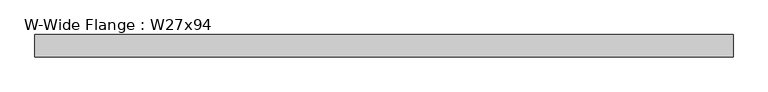
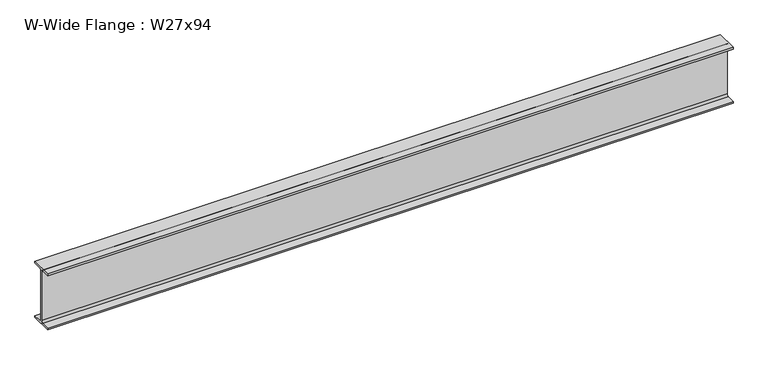
"""IFC4 building model written with IfcOpenShell, lengths in millimetres: beam geometry, W-Wide Flange : W27x94."""

from ifc_helpers import new_model, si_unit, point, frame, frame_2d, origin, place, context, project, spatial, polyline, circle_curve, trimmed, segment, composite_curve, outline, extrude, source, transform, mapped, element, save


def w_wide_flange_w27x94_50edafff(model_context):
    return source(origin(), model_context, "Body", "SweptSolid", [
        extrude(outline(composite_curve([segment(polyline([(127.0, -322.707), (127.0, -341.63), (-127.0, -341.63), (-127.0, -322.707), (-28.575, -322.707)]), True, "CONTINUOUS"), segment(trimmed(circle_curve(frame_2d((-28.575, -300.355)), 22.352), [point((-28.575, -322.707))], [point((-6.223, -300.355))], True, "CARTESIAN"), True, "CONTINUOUS"), segment(polyline([(-6.223, -300.355), (-6.223, 300.355)]), True, "CONTINUOUS"), segment(trimmed(circle_curve(frame_2d((-28.575, 300.355)), 22.352), [point((-6.223, 300.355))], [point((-28.575, 322.707))], True, "CARTESIAN"), True, "CONTINUOUS"), segment(polyline([(-28.575, 322.707), (-127.0, 322.707), (-127.0, 341.63), (127.0, 341.63), (127.0, 322.707), (28.575, 322.707)]), True, "CONTINUOUS"), segment(trimmed(circle_curve(frame_2d((28.575, 300.355)), 22.352), [point((28.575, 322.707))], [point((6.223, 300.355))], True, "CARTESIAN"), True, "CONTINUOUS"), segment(polyline([(6.223, 300.355), (6.223, -300.355)]), True, "CONTINUOUS"), segment(trimmed(circle_curve(frame_2d((28.575, -300.355)), 22.352), [point((6.223, -300.355))], [point((28.575, -322.707))], True, "CARTESIAN"), True, "CONTINUOUS"), segment(polyline([(28.575, -322.707), (127.0, -322.707)]), True, "CONTINUOUS")], self_intersect=False)), frame((-3975.1, 0.0, 0.0), z_axis=(1.0, 0.0, 0.0), x_axis=(0.0, 1.0, 0.0)), (0.0, 0.0, 1.0), 7950.2),
    ])


if __name__ == "__main__":
    model = new_model("IFC4")
    model_context = context("Model", 3, world=origin())
    ifc_project = project(units=[si_unit("LENGTHUNIT", "METRE", prefix="MILLI")], contexts=[model_context])
    site = spatial("IfcSite", under=ifc_project)
    building = spatial("IfcBuilding", under=site)
    placement = place(None, origin())
    w_wide_flange_w27x94_shape = w_wide_flange_w27x94_50edafff(model_context)
    element("IfcBeam", 1, ObjectType="W-Wide Flange : W27x94", at=placement, inside=building, context=model_context, shape_type="MappedRepresentation", body=[
        mapped(w_wide_flange_w27x94_shape, transform((0.0, 0.0, 0.0), x_axis=(1.0, 0.0, 0.0), y_axis=(0.0, 1.0, 0.0), z_axis=(0.0, 0.0, 1.0))),
    ])
    save(model, "model.ifc")
